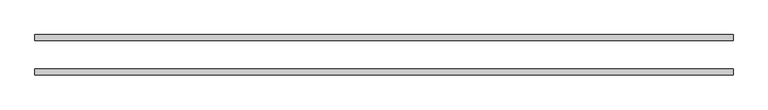
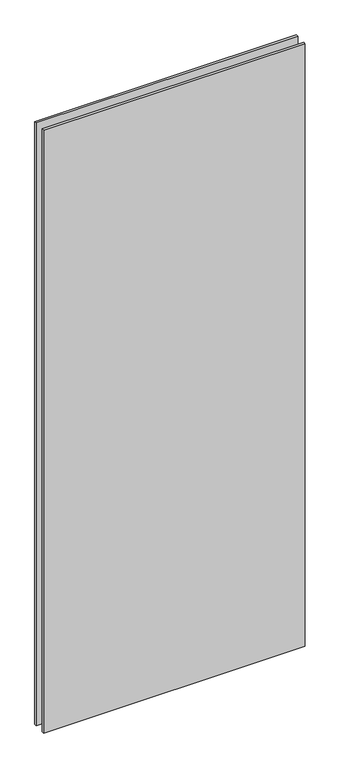
"""IFC4 building model written with IfcOpenShell, lengths in millimetres: plate geometry."""

from ifc_helpers import new_model, si_unit, origin, origin_with_axes, place, context, project, spatial, polyline, outline, extrude, source, transform, mapped, element, save


def plate_0d8fd2f2(model_context):
    return source(origin(), model_context, "Body", "SweptSolid", [
        extrude(outline(polyline([(745.4729911, 42.8355237), (745.4729911, 30.1355237), (-745.4729911, 30.1355237), (-745.4729911, 42.8355237), (745.4729911, 42.8355237)])), origin_with_axes(), (0.0, 0.0, 1.0), 3629.3723151),
        extrude(outline(polyline([(745.4729911, -42.8111299), (-745.4729911, -42.8111299), (-745.4729911, -30.1111299), (745.4729911, -30.1111299), (745.4729911, -42.8111299)])), origin_with_axes(), (0.0, 0.0, 1.0), 3629.3723151),
    ])


if __name__ == "__main__":
    model = new_model("IFC4")
    model_context = context("Model", 3, world=origin())
    ifc_project = project(units=[si_unit("LENGTHUNIT", "METRE", prefix="MILLI")], contexts=[model_context])
    site = spatial("IfcSite", under=ifc_project)
    building = spatial("IfcBuilding", under=site)
    placement = place(None, origin())
    plate_shape = plate_0d8fd2f2(model_context)
    element("IfcPlate", 1, at=placement, inside=building, context=model_context, shape_type="MappedRepresentation", body=[
        mapped(plate_shape, transform((0.0, 0.0, 0.0), x_axis=(1.0, 0.0, 0.0), y_axis=(0.0, 1.0, 0.0), z_axis=(0.0, 0.0, 1.0))),
    ])
    save(model, "model.ifc")
